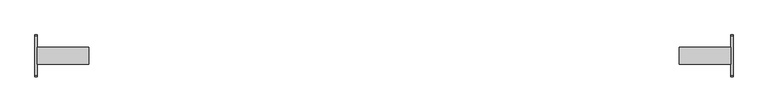
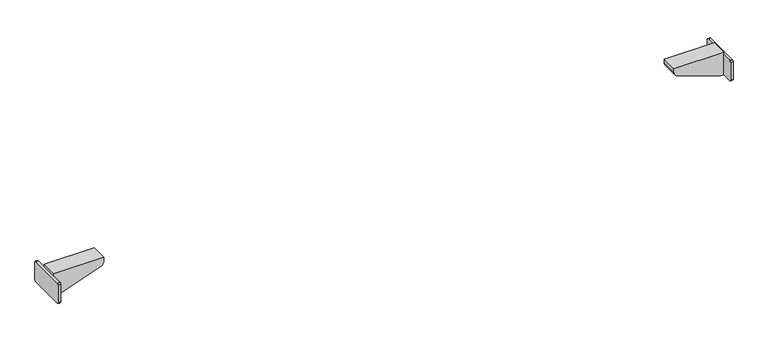
"""IFC4 building model written with IfcOpenShell, lengths in millimetres: furniture geometry."""

from ifc_helpers import new_model, si_unit, point, frame, frame_2d, origin, place, context, project, spatial, polyline, circle_curve, trimmed, segment, composite_curve, outline, extrude, source, transform, mapped, element, save
from ifc_brep_helpers import plane_surface, cylinder_surface, advanced_brep


def furniture_3ccb5de7(model_context):
    return source(origin(), model_context, "Body", "SolidModel", [
        extrude(outline(composite_curve([segment(trimmed(circle_curve(frame_2d((39.4809876, 521.7409876)), 3.0190124), [point((39.4809876, 524.76))], [point((42.5, 521.7409876))], False, "CARTESIAN"), True, "CONTINUOUS"), segment(polyline([(42.5, 521.7409876), (42.5, 482.9866625)]), True, "CONTINUOUS"), segment(trimmed(circle_curve(frame_2d((39.5133375, 482.9866625)), 2.9866625), [point((42.5, 482.9866625))], [point((39.5133375, 480.0))], False, "CARTESIAN"), True, "CONTINUOUS"), segment(polyline([(39.5133375, 480.0), (-39.4675388, 480.0)]), True, "CONTINUOUS"), segment(trimmed(circle_curve(frame_2d((-39.4675388, 483.0324612)), 3.0324612), [point((-39.4675388, 480.0))], [point((-42.5, 483.0324612))], False, "CARTESIAN"), True, "CONTINUOUS"), segment(polyline([(-42.5, 483.0324612), (-42.5, 521.76)]), True, "CONTINUOUS"), segment(trimmed(circle_curve(frame_2d((-39.5, 521.76)), 3.0), [point((-42.5, 521.76))], [point((-39.5, 524.76))], False, "CARTESIAN"), True, "CONTINUOUS"), segment(polyline([(-39.5, 524.76), (39.4809876, 524.76)]), True, "CONTINUOUS")], self_intersect=False)), frame((704.7599968, 0.0, 0.0), z_axis=(1.0, 0.0, 0.0), x_axis=(0.0, 1.0, 0.0)), (0.0, 0.0, 1.0), 5.24),
        extrude(outline(composite_curve([segment(polyline([(511.6677828, 606.7222698), (480.0, 697.9999968), (480.0, 704.7599968), (530.0, 704.7599968), (530.0, 599.9999968), (521.115349, 599.9999968)]), True, "CONTINUOUS"), segment(trimmed(circle_curve(frame_2d((521.115349, 609.9999968)), 10.0), [point((521.115349, 599.9999968))], [point((511.6677828, 606.7222698))], False, "CARTESIAN"), True, "CONTINUOUS")], self_intersect=False)), frame((0.0, -17.5, 0.0), z_axis=(0.0, 1.0, 0.0), x_axis=(0.0, 0.0, 1.0)), (0.0, 0.0, 1.0), 35.0),
        advanced_brep(
        [(-606.7222698, -17.5, 511.6677828), (-599.9999968, -17.5, 521.115349), (-599.9999968, -17.5, 530.0), (-704.7599968, -17.5, 530.0), (-704.7599968, -17.5, 524.76), (-704.7599968, -17.5, 480.0), (-697.9999968, -17.5, 480.0), (-606.7222698, 17.5, 511.6677828), (-697.9999968, 17.5, 480.0), (-704.7599968, 17.5, 480.0), (-704.7599968, 17.5, 524.76), (-704.7599968, 17.5, 530.0), (-599.9999968, 17.5, 530.0), (-599.9999968, 17.5, 521.115349), (-704.7599968, -39.4675388, 480.0), (-709.9999968, -39.4675388, 480.0), (-709.9999968, 39.5133375, 480.0), (-704.7599968, 39.5133375, 480.0), (-704.7599968, -39.5, 524.76), (-704.7599968, -42.5, 521.76), (-704.7599968, -42.5, 483.0324612), (-704.7599968, 42.5, 482.9866625), (-704.7599968, 42.5, 521.7409876), (-704.7599968, 39.4809876, 524.76), (-709.9999968, 39.4809876, 524.76), (-709.9999968, 42.5, 521.7409876), (-709.9999968, 42.5, 482.9866625), (-709.9999968, -42.5, 483.0324612), (-709.9999968, -42.5, 521.76), (-709.9999968, -39.5, 524.76)],
        [
            (0, 1, circle_curve(frame((-609.9999968, -17.5, 521.115349), z_axis=(0.0, -1.0, 0.0), x_axis=(1.0, 0.0, 0.0)), 10.0)),
            (1, 2),
            (2, 3),
            (3, 4),
            (4, 5),
            (5, 6),
            (6, 0),
            (7, 8),
            (8, 9),
            (9, 10),
            (10, 11),
            (11, 12),
            (12, 13),
            (13, 7, circle_curve(frame((-609.9999968, 17.5, 521.115349), z_axis=(0.0, 1.0, 0.0), x_axis=(1.0, 0.0, 0.0)), 10.0)),
            (0, 7),
            (13, 1),
            (12, 2),
            (11, 3),
            (10, 4),
            (5, 14),
            (14, 15),
            (15, 16),
            (16, 17),
            (17, 9),
            (8, 6),
            (18, 19, circle_curve(frame((-704.7599968, -39.5, 521.76), z_axis=(1.0, 0.0, 0.0), x_axis=(0.0, 1.0, 0.0)), 3.0)),
            (19, 20),
            (20, 14, circle_curve(frame((-704.7599968, -39.4675388, 483.0324612), z_axis=(1.0, 0.0, 0.0), x_axis=(0.0, 1.0, 0.0)), 3.0324612)),
            (4, 18),
            (17, 21, circle_curve(frame((-704.7599968, 39.5133375, 482.9866625), z_axis=(1.0, 0.0, 0.0), x_axis=(0.0, 1.0, 0.0)), 2.9866625)),
            (21, 22),
            (22, 23, circle_curve(frame((-704.7599968, 39.4809876, 521.7409876), z_axis=(1.0, 0.0, 0.0), x_axis=(0.0, 1.0, 0.0)), 3.0190124)),
            (23, 10),
            (24, 25, circle_curve(frame((-709.9999968, 39.4809876, 521.7409876), z_axis=(-1.0, 0.0, 0.0), x_axis=(0.0, 1.0, 0.0)), 3.0190124)),
            (25, 26),
            (26, 16, circle_curve(frame((-709.9999968, 39.5133375, 482.9866625), z_axis=(-1.0, 0.0, 0.0), x_axis=(0.0, 1.0, 0.0)), 2.9866625)),
            (15, 27, circle_curve(frame((-709.9999968, -39.4675388, 483.0324612), z_axis=(-1.0, 0.0, 0.0), x_axis=(0.0, 1.0, 0.0)), 3.0324612)),
            (27, 28),
            (28, 29, circle_curve(frame((-709.9999968, -39.5, 521.76), z_axis=(-1.0, 0.0, 0.0), x_axis=(0.0, 1.0, 0.0)), 3.0)),
            (29, 24),
            (29, 18),
            (23, 24),
            (28, 19),
            (27, 20),
            (26, 21),
            (25, 22),
        ],
        [
            plane_surface(frame((-599.9999968, -17.5, 521.115349), z_axis=(0.0, -1.0, 0.0), x_axis=(0.0, 0.0, 1.0))),
            plane_surface(frame((-599.9999968, 17.5, 521.115349), z_axis=(0.0, 1.0, 0.0), x_axis=(0.0, 0.0, -1.0))),
            cylinder_surface(frame((-609.9999968, 17.5, 521.115349), z_axis=(0.0, -1.0, 0.0), x_axis=(1.0, 0.0, 0.0)), 10.0),
            plane_surface(frame((-599.9999968, -17.5, 521.115349), z_axis=(1.0, 0.0, 0.0), x_axis=(0.0, 1.0, 0.0))),
            plane_surface(frame((-599.9999968, -17.5, 530.0), z_axis=(0.0, 0.0, 1.0), x_axis=(0.0, 1.0, 0.0))),
            plane_surface(frame((-704.7599968, -17.5, 530.0), z_axis=(-1.0, 0.0, 0.0), x_axis=(0.0, 1.0, 0.0))),
            plane_surface(frame((-704.7599968, -17.5, 480.0), z_axis=(0.0, 0.0, -1.0), x_axis=(0.0, 1.0, 0.0))),
            plane_surface(frame((-697.9999968, -17.5, 480.0), z_axis=(0.32777270209389825, 0.0, -0.9447566119176223), x_axis=(0.0, 1.0, 0.0))),
            plane_surface(frame((-704.7599968, -39.5, 524.76), z_axis=(1.0, 0.0, 0.0), x_axis=(0.0, -1.0, 0.0))),
            plane_surface(frame((-709.9999968, -39.5, 524.76), z_axis=(-1.0, 0.0, 0.0), x_axis=(0.0, 1.0, 0.0))),
            plane_surface(frame((-704.7599968, 39.4809876, 524.76), z_axis=(0.0, 0.0, 1.0), x_axis=(-1.0, 0.0, 0.0))),
            cylinder_surface(frame((-709.9999968, -39.5, 521.76), z_axis=(1.0, 0.0, 0.0), x_axis=(0.0, 1.0, 0.0)), 3.0),
            plane_surface(frame((-704.7599968, -42.5, 521.76), z_axis=(0.0, -1.0, 0.0), x_axis=(-1.0, 0.0, 0.0))),
            cylinder_surface(frame((-709.9999968, -39.4675388, 483.0324612), z_axis=(1.0, 0.0, 0.0), x_axis=(0.0, 1.0, 0.0)), 3.0324612),
            cylinder_surface(frame((-709.9999968, 39.5133375, 482.9866625), z_axis=(1.0, 0.0, 0.0), x_axis=(0.0, 1.0, 0.0)), 2.9866625),
            plane_surface(frame((-704.7599968, 42.5, 482.9866625), z_axis=(0.0, 1.0, 0.0), x_axis=(-1.0, 0.0, 0.0))),
            cylinder_surface(frame((-709.9999968, 39.4809876, 521.7409876), z_axis=(1.0, 0.0, 0.0), x_axis=(0.0, 1.0, 0.0)), 3.0190124),
        ],
        [
            (0, [[1, 2, 3, 4, 5, 6, 7]]),
            (1, [[8, 9, 10, 11, 12, 13, 14]]),
            (2, [[-1, 15, -14, 16]]),
            (3, [[-2, -16, -13, 17]]),
            (4, [[-3, -17, -12, 18]]),
            (5, [[-18, -11, 19, -4]]),
            (6, [[-6, 20, 21, 22, 23, 24, -9, 25]]),
            (7, [[-7, -25, -8, -15]]),
            (8, [[26, 27, 28, -20, -5, 29]]),
            (8, [[30, 31, 32, 33, -10, -24]]),
            (9, [[34, 35, 36, -22, 37, 38, 39, 40]]),
            (10, [[-40, 41, -29, -19, -33, 42]]),
            (11, [[-26, -41, -39, 43]]),
            (12, [[-27, -43, -38, 44]]),
            (13, [[-28, -44, -37, -21]]),
            (14, [[-30, -23, -36, 45]]),
            (15, [[-31, -45, -35, 46]]),
            (16, [[-32, -46, -34, -42]]),
        ],
    ),
    ])


if __name__ == "__main__":
    model = new_model("IFC4")
    model_context = context("Model", 3, world=origin())
    ifc_project = project(units=[si_unit("LENGTHUNIT", "METRE", prefix="MILLI")], contexts=[model_context])
    site = spatial("IfcSite", under=ifc_project)
    building = spatial("IfcBuilding", under=site)
    placement = place(None, origin())
    furniture_shape = furniture_3ccb5de7(model_context)
    element("IfcFurniture", 1, at=placement, inside=building, context=model_context, shape_type="MappedRepresentation", body=[
        mapped(furniture_shape, transform((0.0, 0.0, 0.0), x_axis=(1.0, 0.0, 0.0), y_axis=(0.0, 1.0, 0.0), z_axis=(0.0, 0.0, 1.0))),
    ])
    save(model, "model.ifc")
